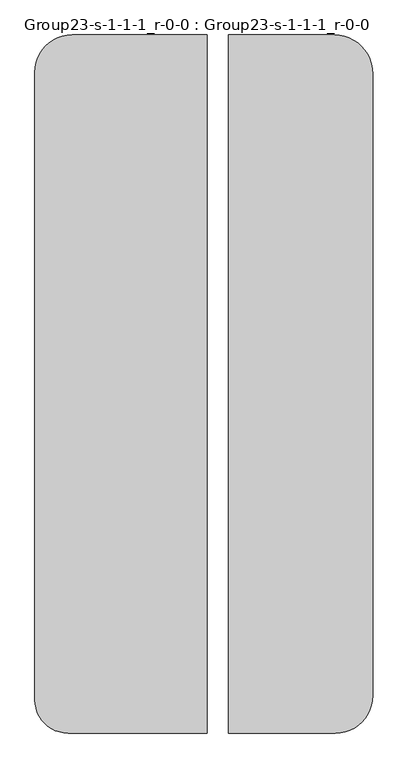
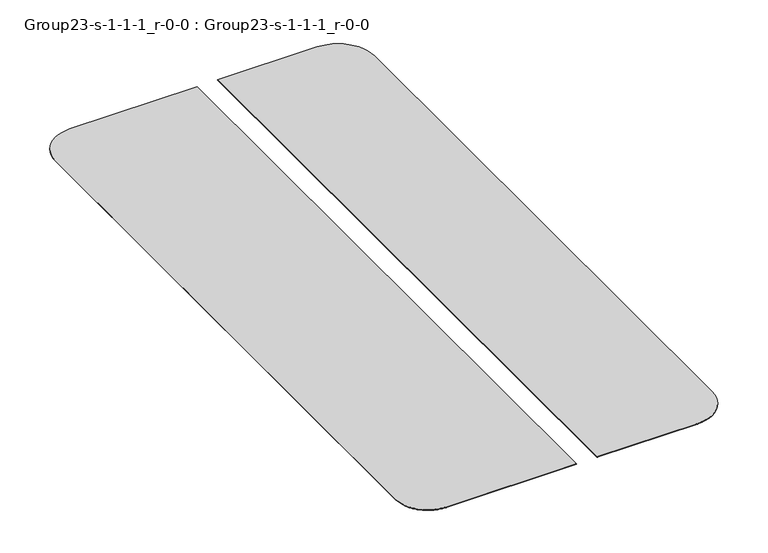
"""IFC4 building model written with IfcOpenShell, lengths in millimetres: geographic element geometry, Group23-s-1-1-1_r-0-0 : Group23-s-1-1-1_r-0-0."""

from ifc_helpers import new_model, si_unit, origin, place, context, project, spatial, triangles, source, transform, mapped, element, save


def group23_s_1_1_1_r_0_0_group23_s_1_1_1_r_0_0_2dbef557(model_context):
    return source(origin(), model_context, "Body", "Tessellation", [
        triangles([(79172.8417969, 88.9619754, 152.4), (77815.5385986, 0.0, 0.0), (79172.8417969, 88.9619754, 0.0), (77815.5385986, 0.0, 152.4), (87859.8743408, 7707.2882767, 0.0), (87422.6452148, 6419.2645706, 152.4), (87422.6452148, 6419.2645706, 0.0), (87859.8743408, 7707.2882767, 152.4), (80506.9092041, 354.3257197, 152.4), (80506.9092041, 354.3257197, 0.0), (88214.1968994, 10398.6594635, 0.0), (88125.2348877, 9041.3620789, 152.4), (88125.2348877, 9041.3620789, 0.0), (88214.1968994, 10398.6594635, 152.4), (83014.867749, 1393.1562424, 152.4), (81794.9329102, 791.5508125, 0.0), (83014.867749, 1393.1562424, 0.0), (81794.9329102, 791.5508125, 152.4), (88214.1968994, 183228.3508301, 0.0), (88214.1968994, 183228.3508301, 152.4), (86065.3513184, 4068.3566139, 0.0), (85168.5037354, 3045.6969429, 152.4), (85168.5037354, 3045.6969429, 0.0), (86065.3513184, 4068.3566139, 152.4), (84145.8405762, 2148.8481972, 152.4), (84145.8405762, 2148.8481972, 0.0), (86821.0447266, 5199.3297318, 152.4), (86821.0447266, 5199.3297318, 0.0), (80250.1434814, 193607.3266113, 152.4), (81581.0761963, 193155.5216309, 0.0), (80250.1434814, 193607.3266113, 0.0), (81581.0761963, 193155.5216309, 152.4), (82841.650415, 192533.8851563, 0.0), (82841.650415, 192533.8851563, 152.4), (84010.3046631, 191753.0211914, 0.0), (84010.3046631, 191753.0211914, 152.4), (85067.0401611, 190826.2870605, 0.0), (85067.0401611, 190826.2870605, 152.4), (78871.6229736, 193881.5238281, 152.4), (78871.6229736, 193881.5238281, 0.0), (77469.1085815, 193973.4437988, 152.4), (77469.1085815, 193973.4437988, 0.0), (88122.2769287, 184630.869873, 0.0), (88122.2769287, 184630.869873, 152.4), (87396.2747314, 187340.3230957, 0.0), (87848.0704102, 186009.3903809, 152.4), (87848.0704102, 186009.3903809, 0.0), (87396.2747314, 187340.3230957, 152.4), (85993.7649902, 189769.5515625, 152.4), (85993.7649902, 189769.5515625, 0.0), (86774.6289551, 188600.8973145, 0.0), (86774.6289551, 188600.8973145, 152.4), (48126.4949707, 0.0, 0.0), (48126.4949707, 193973.4437988, 0.0), (42081.5011597, 0.0, 152.4), (3441.2443108, 0.0, 0.0), (42081.5011597, 0.0, 0.0), (3441.2443108, 0.0, 152.4), (2236.6329552, 78.9544104, 0.0), (2236.6329552, 78.9544104, 152.4), (1052.6326962, 314.4667065, 0.0), (1052.6326962, 314.4667065, 152.4), (-90.4977465, 702.5071924, 0.0), (-90.4977465, 702.5071924, 152.4), (-1173.1991014, 1236.4364479, 0.0), (-1173.1991014, 1236.4364479, 152.4), (-2176.9460461, 1907.1186207, 0.0), (-2176.9460461, 1907.1186207, 152.4), (-3084.5640472, 2703.0783211, 0.0), (-3084.5640472, 2703.0783211, 152.4), (-3880.523893, 3610.6964676, 152.4), (-3880.523893, 3610.6964676, 0.0), (-4551.2062111, 4614.4433395, 152.4), (-4551.2062111, 4614.4433395, 0.0), (-5085.1355392, 5697.1446945, 152.4), (-5085.1355392, 5697.1446945, 0.0), (-5708.688176, 8024.2753235, 152.4), (-5473.1758072, 6840.2749191, 0.0), (-5473.1758072, 6840.2749191, 152.4), (-5708.688176, 8024.2753235, 0.0), (-5787.642659, 9228.8866791, 152.4), (-5787.642659, 9228.8866791, 0.0), (-5787.642659, 183642.3720703, 152.4), (-5787.642659, 183642.3720703, 0.0), (-5699.258519, 184990.8479004, 152.4), (-5699.258519, 184990.8479004, 0.0), (-5001.2354279, 187595.8981934, 152.4), (-5435.6193787, 186316.2367676, 0.0), (-5435.6193787, 186316.2367676, 152.4), (-5001.2354279, 187595.8981934, 0.0), (589.9079607, 193187.0359863, 152.4), (1869.5616108, 193621.4280762, 0.0), (589.9079607, 193187.0359863, 0.0), (1869.5616108, 193621.4280762, 152.4), (3194.9660294, 193885.0584961, 0.0), (3194.9660294, 193885.0584961, 152.4), (-622.0996004, 192589.3422363, 152.4), (-622.0996004, 192589.3422363, 0.0), (-2761.7375313, 190947.5447754, 152.4), (-1745.7232395, 191838.5601562, 0.0), (-2761.7375313, 190947.5447754, 0.0), (-1745.7232395, 191838.5601562, 152.4), (-4403.5393524, 188807.8986328, 152.4), (-4403.5393524, 188807.8986328, 0.0), (-3652.7581444, 189931.532373, 0.0), (-3652.7581444, 189931.532373, 152.4), (4543.4433128, 193973.4437988, 0.0), (4543.4433128, 193973.4437988, 152.4), (48126.4949707, 193973.4437988, 152.4), (42081.5011597, 193973.4437988, 152.4), (48126.4949707, 0.0, 152.4), (42081.5011597, 193973.4437988, 0.0)], [[1, 2, 3], [2, 1, 4], [5, 6, 7], [6, 5, 8], [9, 3, 10], [3, 9, 1], [11, 12, 13], [12, 11, 14], [15, 16, 17], [16, 15, 18], [19, 14, 11], [14, 19, 20], [21, 22, 23], [22, 21, 24], [13, 8, 5], [8, 13, 12], [25, 17, 26], [17, 25, 15], [18, 10, 16], [10, 18, 9], [22, 26, 23], [26, 22, 25], [7, 27, 28], [27, 7, 6], [28, 24, 21], [24, 28, 27], [29, 30, 31], [30, 29, 32], [32, 33, 30], [33, 32, 34], [34, 35, 33], [35, 34, 36], [36, 37, 35], [37, 36, 38], [39, 31, 40], [31, 39, 29], [41, 40, 42], [40, 41, 39], [43, 20, 19], [20, 43, 44], [45, 46, 47], [46, 45, 48], [37, 49, 50], [49, 37, 38], [51, 48, 45], [48, 51, 52], [47, 44, 43], [44, 47, 46], [50, 52, 51], [52, 50, 49], [42, 53, 54], [53, 42, 2], [2, 42, 40], [2, 40, 3], [3, 40, 31], [3, 31, 10], [10, 31, 30], [10, 30, 16], [16, 30, 33], [16, 33, 17], [17, 33, 35], [17, 35, 26], [26, 35, 37], [26, 37, 23], [23, 37, 50], [23, 50, 21], [21, 50, 51], [21, 51, 28], [28, 51, 45], [28, 45, 7], [7, 45, 47], [7, 47, 5], [5, 47, 43], [5, 43, 13], [13, 43, 19], [13, 19, 11], [55, 56, 57], [56, 55, 58], [58, 59, 56], [59, 58, 60], [60, 61, 59], [61, 60, 62], [62, 63, 61], [63, 62, 64], [64, 65, 63], [65, 64, 66], [66, 67, 65], [67, 66, 68], [68, 69, 67], [69, 68, 70], [71, 69, 70], [69, 71, 72], [73, 72, 71], [72, 73, 74], [75, 74, 73], [74, 75, 76], [77, 78, 79], [78, 77, 80], [81, 80, 77], [80, 81, 82], [83, 82, 81], [82, 83, 84], [85, 84, 83], [84, 85, 86], [79, 76, 75], [76, 79, 78], [87, 88, 89], [88, 87, 90], [91, 92, 93], [92, 91, 94], [94, 95, 92], [95, 94, 96], [97, 93, 98], [93, 97, 91], [99, 100, 101], [100, 99, 102], [103, 90, 87], [90, 103, 104], [99, 105, 106], [105, 99, 101], [102, 98, 100], [98, 102, 97], [96, 107, 95], [107, 96, 108], [106, 104, 103], [104, 106, 105], [109, 42, 54], [42, 109, 41], [89, 86, 85], [86, 89, 88], [77, 83, 81], [83, 77, 85], [85, 77, 79], [85, 79, 89], [89, 79, 75], [89, 75, 87], [87, 75, 73], [87, 73, 103], [103, 73, 71], [103, 71, 106], [106, 71, 70], [106, 70, 99], [99, 70, 68], [99, 68, 102], [102, 68, 66], [102, 66, 97], [97, 66, 64], [97, 64, 91], [91, 64, 62], [91, 62, 94], [94, 62, 60], [94, 60, 96], [96, 60, 58], [96, 58, 108], [108, 58, 55], [108, 55, 110], [4, 109, 111], [109, 4, 41], [41, 4, 39], [39, 4, 1], [39, 1, 29], [29, 1, 9], [29, 9, 32], [32, 9, 18], [32, 18, 34], [34, 18, 15], [34, 15, 36], [36, 15, 25], [36, 25, 38], [38, 25, 22], [38, 22, 49], [49, 22, 24], [49, 24, 52], [52, 24, 27], [52, 27, 48], [48, 27, 6], [48, 6, 46], [46, 6, 8], [46, 8, 44], [44, 8, 12], [44, 12, 20], [20, 12, 14], [109, 53, 111], [53, 109, 54], [112, 55, 57], [55, 112, 110], [108, 112, 107], [112, 108, 110], [4, 53, 2], [53, 4, 111], [86, 82, 84], [82, 86, 80], [80, 86, 78], [78, 86, 88], [78, 88, 76], [76, 88, 90], [76, 90, 74], [74, 90, 104], [74, 104, 72], [72, 104, 105], [72, 105, 69], [69, 105, 101], [69, 101, 67], [67, 101, 100], [67, 100, 65], [65, 100, 98], [65, 98, 63], [63, 98, 93], [63, 93, 61], [61, 93, 92], [61, 92, 59], [59, 92, 95], [59, 95, 56], [56, 95, 107], [56, 107, 57], [57, 107, 112]]),
    ])


if __name__ == "__main__":
    model = new_model("IFC4")
    model_context = context("Model", 3, world=origin())
    ifc_project = project(units=[si_unit("LENGTHUNIT", "METRE", prefix="MILLI")], contexts=[model_context])
    site = spatial("IfcSite", under=ifc_project)
    building = spatial("IfcBuilding", under=site)
    placement = place(None, origin())
    group23_s_1_1_1_r_0_0_group23_s_1_1_1_r_0_0_shape = group23_s_1_1_1_r_0_0_group23_s_1_1_1_r_0_0_2dbef557(model_context)
    element("IfcGeographicElement", 1, ObjectType="Group23-s-1-1-1_r-0-0 : Group23-s-1-1-1_r-0-0", at=placement, inside=building, context=model_context, shape_type="MappedRepresentation", body=[
        mapped(group23_s_1_1_1_r_0_0_group23_s_1_1_1_r_0_0_shape, transform((0.0, 0.0, 0.0), x_axis=(1.0, 0.0, 0.0), y_axis=(0.0, 1.0, 0.0), z_axis=(0.0, 0.0, 1.0))),
    ])
    save(model, "model.ifc")
